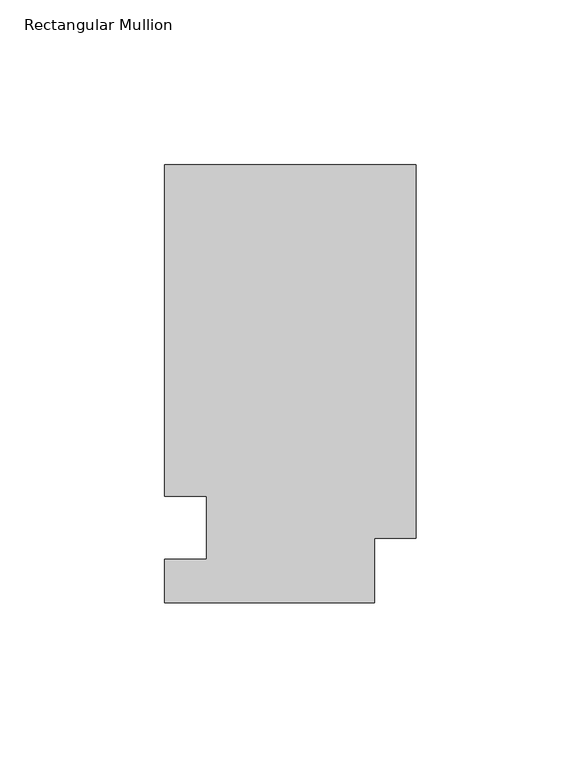
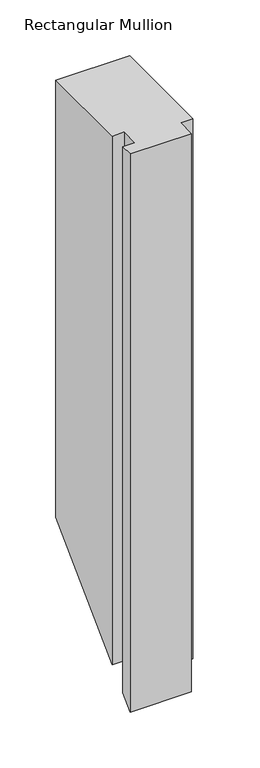
"""IFC4 building model written with IfcOpenShell, lengths in millimetres: member geometry, Rectangular Mullion."""

from ifc_helpers import new_model, si_unit, origin, place, context, project, spatial, faceted_brep, source, transform, mapped, element, save


def rectangular_mullion_832eef88(model_context):
    return source(origin(), model_context, "Body", "Brep", [
        faceted_brep([(0.0, 132.6522937, 0.0), (-76.2, 132.6522938, 0.0), (-76.2, 32.2460938, 0.0), (-63.5, 32.2460937, 0.0), (-63.5, 13.1960937, 0.0), (-76.2, 13.1960938, 0.0), (-76.2, 0.0134938, 0.0), (-12.7, 0.0134938, 0.0), (-12.7, 19.5460938, 0.0), (0.0, 19.5460937, 0.0), (0.0, 132.6522937, -476.9477062), (-76.2, 132.6522938, -476.9477062), (-76.2, 32.2460938, -577.3539062), (-63.5, 32.2460937, -577.3539062), (-63.5, 13.1960937, -596.4039062), (-76.2, 13.1960938, -596.4039062), (-76.2, 0.0134938, -609.5865062), (-12.7, 0.0134938, -609.5865062), (-12.7, 19.5460938, -590.0539062), (0.0, 19.5460937, -590.0539062)], [[[0, 1, 2, 3, 4, 5, 6, 7, 8, 9]], [[1, 0, 10, 11]], [[2, 1, 11, 12]], [[3, 2, 12, 13]], [[4, 3, 13, 14]], [[5, 4, 14, 15]], [[6, 5, 15, 16]], [[7, 6, 16, 17]], [[8, 7, 17, 18]], [[9, 8, 18, 19]], [[0, 9, 19, 10]], [[10, 19, 18, 17, 16, 15, 14, 13, 12, 11]]]),
    ])


if __name__ == "__main__":
    model = new_model("IFC4")
    model_context = context("Model", 3, world=origin())
    ifc_project = project(units=[si_unit("LENGTHUNIT", "METRE", prefix="MILLI")], contexts=[model_context])
    site = spatial("IfcSite", under=ifc_project)
    building = spatial("IfcBuilding", under=site)
    placement = place(None, origin())
    rectangular_mullion_shape = rectangular_mullion_832eef88(model_context)
    element("IfcMember", 1, ObjectType="Rectangular Mullion", at=placement, inside=building, context=model_context, shape_type="MappedRepresentation", body=[
        mapped(rectangular_mullion_shape, transform((0.0, 0.0, 0.0), x_axis=(1.0, 0.0, 0.0), y_axis=(0.0, 1.0, 0.0), z_axis=(0.0, 0.0, 1.0))),
    ])
    save(model, "model.ifc")
